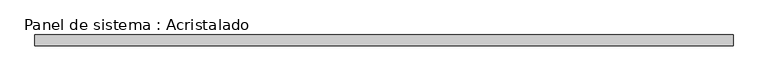
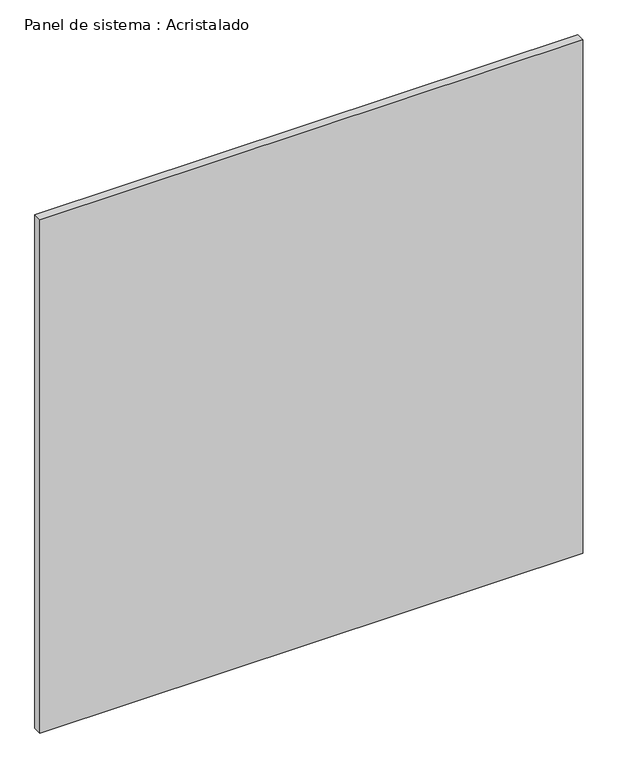
"""IFC4 building model written with IfcOpenShell, lengths in millimetres: plate geometry, Panel de sistema : Acristalado."""

from ifc_helpers import new_model, si_unit, origin, origin_with_axes, place, context, project, spatial, polyline, outline, extrude, source, transform, mapped, element, save


def panel_de_sistema_acristalado_c145c55c(model_context):
    return source(origin(), model_context, "Body", "SweptSolid", [
        extrude(outline(polyline([(650.0, -10.0), (-650.0, -10.0), (-650.0, 10.0), (650.0, 10.0), (650.0, -10.0)])), origin_with_axes(), (0.0, 0.0, 1.0), 1300.0),
    ])


if __name__ == "__main__":
    model = new_model("IFC4")
    model_context = context("Model", 3, world=origin())
    ifc_project = project(units=[si_unit("LENGTHUNIT", "METRE", prefix="MILLI")], contexts=[model_context])
    site = spatial("IfcSite", under=ifc_project)
    building = spatial("IfcBuilding", under=site)
    placement = place(None, origin())
    panel_de_sistema_acristalado_shape = panel_de_sistema_acristalado_c145c55c(model_context)
    element("IfcPlate", 1, ObjectType="Panel de sistema : Acristalado", at=placement, inside=building, context=model_context, shape_type="MappedRepresentation", body=[
        mapped(panel_de_sistema_acristalado_shape, transform((0.0, 0.0, 0.0), x_axis=(1.0, 0.0, 0.0), y_axis=(0.0, 1.0, 0.0), z_axis=(0.0, 0.0, 1.0))),
    ])
    save(model, "model.ifc")
